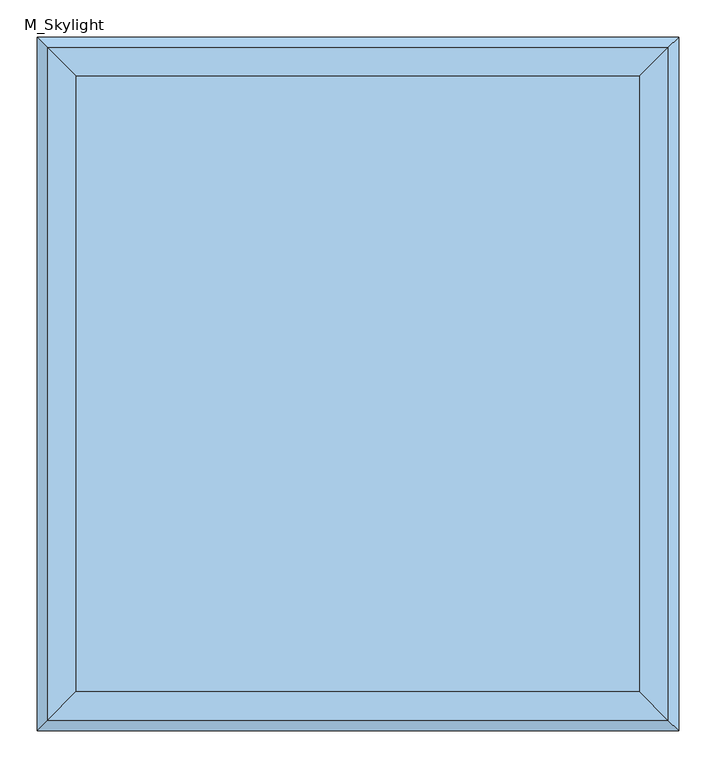
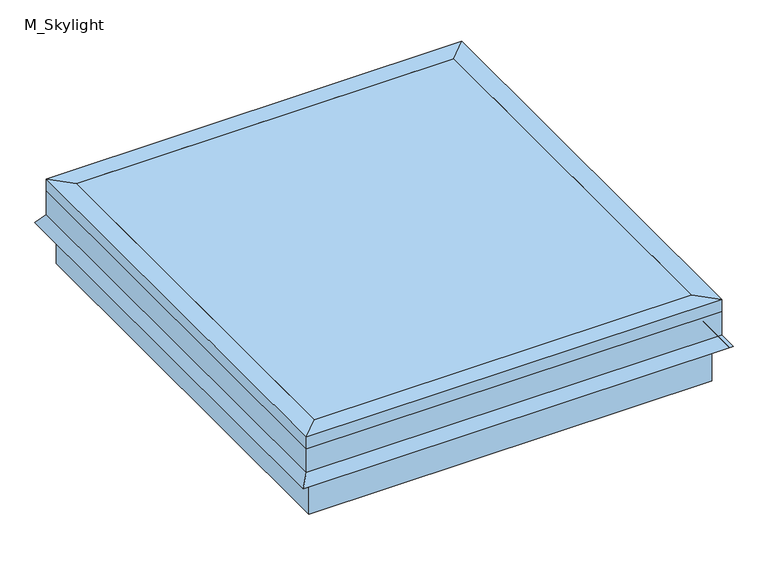
"""IFC4 building model written with IfcOpenShell, lengths in millimetres: window geometry, M_Skylight."""

from ifc_helpers import new_model, si_unit, frame, origin, place, context, project, spatial, polyline, outline, extrude, faceted_brep, source, transform, mapped, element, save


def m_skylight_274997a9(model_context):
    return source(origin(), model_context, "Body", "SolidModel", [
        faceted_brep([(254.440073, 370.1040988, 4105.0), (279.840073, 395.5040988, 4105.0), (279.840073, -487.4959012, 4105.0), (254.440073, -462.0959012, 4105.0), (254.440073, 370.1040988, 4130.4), (254.440073, -462.0959012, 4130.4), (292.540073, 408.2040988, 4130.4), (292.540073, -500.1959012, 4130.4), (292.540073, 408.2040988, 4105.0), (292.540073, -500.1959012, 4105.0), (292.540073, 408.2040988, 4054.2), (292.540073, -500.1959012, 4054.2), (307.1089145, 422.7729403, 4033.3935381), (307.1089145, -514.7647427, 4033.3935381), (301.907299, 417.5713248, 4029.7513277), (301.907299, -509.5631272, 4029.7513277), (286.190073, 401.8540988, 4052.1978527), (286.190073, -493.8459012, 4052.1978527), (286.190073, 401.8540988, 4105.0), (286.190073, -493.8459012, 4105.0), (-533.159927, -487.4959012, 4105.0), (-507.759927, -462.0959012, 4105.0), (-507.759927, -462.0959012, 4130.4), (-545.859927, -500.1959012, 4130.4), (-545.859927, -500.1959012, 4105.0), (-545.859927, -500.1959012, 4054.2), (-560.4287685, -514.7647427, 4033.3935381), (-555.227153, -509.5631272, 4029.7513277), (-539.509927, -493.8459012, 4052.1978527), (-539.509927, -493.8459012, 4105.0), (-533.159927, 395.5040988, 4105.0), (-507.759927, 370.1040988, 4105.0), (-507.759927, 370.1040988, 4130.4), (-545.859927, 408.2040988, 4130.4), (-545.859927, 408.2040988, 4105.0), (-545.859927, 408.2040988, 4054.2), (-560.4287685, 422.7729403, 4033.3935381), (-555.227153, 417.5713248, 4029.7513277), (-539.509927, 401.8540988, 4052.1978527), (-539.509927, 401.8540988, 4105.0)], [[[0, 1, 2, 3]], [[4, 0, 3, 5]], [[6, 4, 5, 7]], [[8, 6, 7, 9]], [[10, 8, 9, 11]], [[12, 10, 11, 13]], [[14, 12, 13, 15]], [[16, 14, 15, 17]], [[18, 16, 17, 19]], [[1, 18, 19, 2]], [[3, 2, 20, 21]], [[5, 3, 21, 22]], [[7, 5, 22, 23]], [[9, 7, 23, 24]], [[11, 9, 24, 25]], [[13, 11, 25, 26]], [[15, 13, 26, 27]], [[17, 15, 27, 28]], [[19, 17, 28, 29]], [[2, 19, 29, 20]], [[21, 20, 30, 31]], [[22, 21, 31, 32]], [[23, 22, 32, 33]], [[24, 23, 33, 34]], [[25, 24, 34, 35]], [[26, 25, 35, 36]], [[27, 26, 36, 37]], [[28, 27, 37, 38]], [[29, 28, 38, 39]], [[20, 29, 39, 30]], [[31, 30, 1, 0]], [[32, 31, 0, 4]], [[33, 32, 4, 6]], [[34, 33, 6, 8]], [[35, 34, 8, 10]], [[36, 35, 10, 12]], [[37, 36, 12, 14]], [[38, 37, 14, 16]], [[39, 38, 16, 18]], [[30, 39, 18, 1]]]),
        faceted_brep([(279.840073, -487.4959012, 4105.0), (279.840073, -487.4959012, 3952.6), (279.840073, 395.5040988, 3952.6), (279.840073, 395.5040988, 4105.0), (254.440073, -462.0959012, 4105.0), (254.440073, 370.1040988, 4105.0), (254.440073, -462.0959012, 4079.6), (254.440073, 370.1040988, 4079.6), (235.390073, -443.0459012, 4079.6), (235.390073, 351.0540988, 4079.6), (235.390073, -443.0459012, 3952.6), (235.390073, 351.0540988, 3952.6), (-533.159927, 395.5040988, 3952.6), (-533.159927, 395.5040988, 4105.0), (-507.759927, 370.1040988, 4105.0), (-507.759927, 370.1040988, 4079.6), (-488.709927, 351.0540988, 4079.6), (-488.709927, 351.0540988, 3952.6), (-533.159927, -487.4959012, 3952.6), (-533.159927, -487.4959012, 4105.0), (-507.759927, -462.0959012, 4105.0), (-507.759927, -462.0959012, 4079.6), (-488.709927, -443.0459012, 4079.6), (-488.709927, -443.0459012, 3952.6)], [[[0, 1, 2, 3]], [[4, 0, 3, 5]], [[6, 4, 5, 7]], [[8, 6, 7, 9]], [[10, 8, 9, 11]], [[1, 10, 11, 2]], [[3, 2, 12, 13]], [[5, 3, 13, 14]], [[7, 5, 14, 15]], [[9, 7, 15, 16]], [[11, 9, 16, 17]], [[2, 11, 17, 12]], [[13, 12, 18, 19]], [[14, 13, 19, 20]], [[15, 14, 20, 21]], [[16, 15, 21, 22]], [[17, 16, 22, 23]], [[12, 17, 23, 18]], [[19, 18, 1, 0]], [[20, 19, 0, 4]], [[21, 20, 4, 6]], [[22, 21, 6, 8]], [[23, 22, 8, 10]], [[18, 23, 10, 1]]]),
        extrude(outline(polyline([(254.440073, -462.0959012), (-507.759927, -462.0959012), (-507.759927, 370.1040988), (254.440073, 370.1040988), (254.440073, -462.0959012)])), frame((0.0, 0.0, 4124.05), z_axis=(0.0, 0.0, 1.0), x_axis=(1.0, 0.0, 0.0)), (0.0, 0.0, 1.0), 6.35),
    ])


if __name__ == "__main__":
    model = new_model("IFC4")
    model_context = context("Model", 3, world=origin())
    ifc_project = project(units=[si_unit("LENGTHUNIT", "METRE", prefix="MILLI")], contexts=[model_context])
    site = spatial("IfcSite", under=ifc_project)
    building = spatial("IfcBuilding", under=site)
    placement = place(None, origin())
    m_skylight_shape = m_skylight_274997a9(model_context)
    element("IfcWindow", 1, ObjectType="M_Skylight", at=placement, inside=building, context=model_context, shape_type="MappedRepresentation", body=[
        mapped(m_skylight_shape, transform((0.0, 0.0, 0.0), x_axis=(1.0, 0.0, 0.0), y_axis=(0.0, 1.0, 0.0), z_axis=(0.0, 0.0, 1.0))),
    ])
    save(model, "model.ifc")
